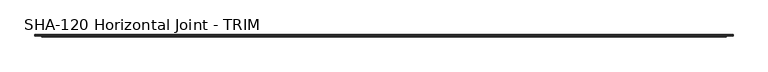
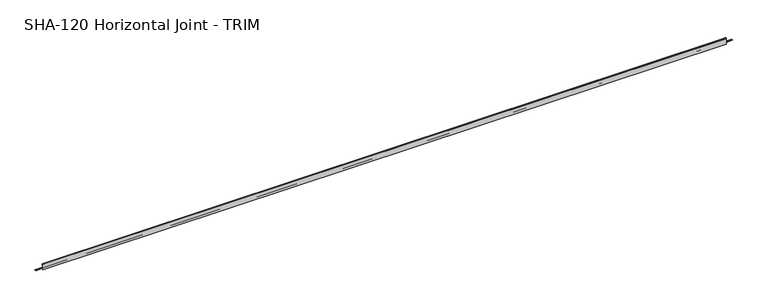
"""IFC4 building model written with IfcOpenShell, lengths in millimetres: proxy geometry, SHA-120 Horizontal Joint - TRIM."""

from ifc_helpers import new_model, si_unit, frame, origin, place, context, project, spatial, polyline, circle_curve, source, transform, mapped, element, save
from ifc_brep_helpers import plane_surface, cylinder_surface, revolved_surface, advanced_brep


def sha_120_horizontal_joint_trim_cefe12b6(model_context):
    return source(origin(), model_context, "Body", "AdvancedBrep", [
        advanced_brep(
        [(5354.8359375, -10.5641724, -14.5120878), (5354.8359375, -10.5641724, -16.0868881), (5354.8359375, -7.5495099, -16.0868881), (5354.8359375, -4.3999099, -16.0868881), (5354.8359375, -1.0391724, -16.0868881), (5354.8359375, -1.0391724, -14.5120878), (5354.8359375, -4.3999099, -14.5120878), (5354.8359375, -7.5495099, -14.5120878), (0.0, -10.5641724, -16.0868881), (0.0, -10.5641724, -14.5120878), (0.0, -7.5495099, -14.5120878), (0.0, -4.3999099, -14.5120878), (0.0, -1.0391724, -14.5120878), (0.0, -1.0391724, -16.0868881), (0.0, -4.3999099, -16.0868881), (0.0, -7.5495099, -16.0868881), (5304.0359375, -12.8855416, 21.9656491), (5304.0359375, -11.756868, 22.4248425), (5304.0359375, -10.5641724, 21.8995653), (50.8, -10.5641724, 21.8995653), (50.8, -11.756868, 22.4248425), (50.8, -12.8855416, 21.9656491), (5304.0359375, -10.5641724, 9.8147622), (50.8, -10.5641724, 9.8147622), (5304.0359375, -17.2443724, 9.8147622), (50.8, -17.2443724, 9.8147622), (5304.0359375, -18.5143724, 8.5447622), (50.8, -18.5143724, 8.5447622), (5304.0359375, -18.5143724, -4.3266878), (50.8, -18.5143724, -4.3266878), (5304.0359375, -10.5664, -4.3266878), (50.8, -10.5664, -4.3266878), (5304.0359375, -10.5664, -14.5120878), (50.8, -10.5664, -14.5120878), (5304.0359375, -10.5641724, -16.0868881), (50.8, -10.5664, -16.0868881), (5304.0359375, -10.5664, -17.6616881), (50.8, -10.5664, -17.6616881), (5304.0359375, -12.8070246, -17.6616881), (50.8, -12.8070246, -17.6616881), (5304.0359375, -14.7028353, -6.590154), (50.8, -14.7028353, -6.590154), (5304.0359375, -16.9116736, -6.590154), (50.8, -16.9116736, -6.590154), (5304.0359375, -16.9116736, -22.4241878), (50.8, -16.9116736, -22.4241878), (5304.0359375, -20.0891724, -22.4241878), (50.8, -20.0891724, -22.4241878), (5304.0359375, -20.0891724, 22.4241878), (50.8, -20.0891724, 22.4241878), (5304.0359375, -16.9116736, 22.4241878), (50.8, -16.9116736, 22.4241878), (5304.0359375, -16.9116736, 11.3895622), (50.8, -16.9116736, 11.3895622), (5304.0359375, -14.6965154, 11.3895622), (50.8, -14.6965154, 11.3895622)],
        [
            (0, 1),
            (1, 2),
            (2, 3, circle_curve(frame((5354.8359375, -5.9747099, -16.0868881), z_axis=(1.0, 0.0, 0.0), x_axis=(0.0, -1.0, 0.0)), 1.5748)),
            (3, 4),
            (4, 5),
            (5, 6),
            (6, 7, circle_curve(frame((5354.8359375, -5.9747099, -14.5120878), z_axis=(1.0, 0.0, 0.0), x_axis=(0.0, -1.0, 0.0)), 1.5748)),
            (7, 0),
            (8, 9),
            (9, 10),
            (10, 11, circle_curve(frame((0.0, -5.9747099, -14.5120878), z_axis=(-1.0, 0.0, 0.0), x_axis=(0.0, -1.0, 0.0)), 1.5748)),
            (11, 12),
            (12, 13),
            (13, 14),
            (14, 15, circle_curve(frame((0.0, -5.9747099, -16.0868881), z_axis=(-1.0, 0.0, 0.0), x_axis=(0.0, -1.0, 0.0)), 1.5748)),
            (15, 8),
            (16, 17, circle_curve(frame((5304.0359375, -11.756868, 20.808135), z_axis=(-1.0, 0.0, 0.0), x_axis=(0.0, -1.0, 0.0)), 1.6167075)),
            (17, 18, circle_curve(frame((5304.0359375, -11.756868, 20.808135), z_axis=(-1.0, 0.0, 0.0), x_axis=(0.0, -1.0, 0.0)), 1.6167075)),
            (18, 19),
            (19, 20, circle_curve(frame((50.8, -11.756868, 20.808135), z_axis=(1.0, 0.0, 0.0), x_axis=(0.0, -1.0, 0.0)), 1.6167075)),
            (20, 21, circle_curve(frame((50.8, -11.756868, 20.808135), z_axis=(1.0, 0.0, 0.0), x_axis=(0.0, -1.0, 0.0)), 1.6167075)),
            (21, 16),
            (18, 22),
            (22, 23),
            (23, 19),
            (22, 24),
            (24, 25),
            (25, 23),
            (24, 26, circle_curve(frame((5304.0359375, -17.2443724, 8.5447622), z_axis=(1.0, 0.0, 0.0), x_axis=(0.0, -1.0, 0.0)), 1.27)),
            (26, 27),
            (27, 25, circle_curve(frame((50.8, -17.2443724, 8.5447622), z_axis=(-1.0, 0.0, 0.0), x_axis=(0.0, -1.0, 0.0)), 1.27)),
            (26, 28),
            (28, 29),
            (29, 27),
            (28, 30),
            (30, 31),
            (31, 29),
            (30, 32),
            (32, 33),
            (33, 31),
            (7, 10),
            (9, 33),
            (32, 0),
            (6, 11),
            (5, 12),
            (4, 13),
            (3, 14),
            (2, 15),
            (1, 34),
            (34, 35),
            (35, 8),
            (34, 36),
            (36, 37),
            (37, 35),
            (36, 38),
            (38, 39),
            (39, 37),
            (38, 40),
            (40, 41),
            (41, 39),
            (40, 42),
            (42, 43),
            (43, 41),
            (42, 44),
            (44, 45),
            (45, 43),
            (44, 46),
            (46, 47),
            (47, 45),
            (46, 48),
            (48, 49),
            (49, 47),
            (48, 50),
            (50, 51),
            (51, 49),
            (50, 52),
            (52, 53),
            (53, 51),
            (52, 54),
            (54, 55),
            (55, 53),
            (21, 55),
            (54, 16),
            (35, 33),
            (32, 34),
        ],
        [
            plane_surface(frame((5354.8359375, -13.3735755, 20.808135), z_axis=(1.0, 0.0, 0.0), x_axis=(0.0, 0.0, 1.0))),
            plane_surface(frame((0.0, -13.3735755, 20.808135), z_axis=(-1.0, 0.0, 0.0), x_axis=(0.0, 0.0, -1.0))),
            cylinder_surface(frame((0.0, -11.756868, 20.808135), z_axis=(1.0, 0.0, 0.0), x_axis=(0.0, -1.0, 0.0)), 1.6167075),
            plane_surface(frame((5354.8359375, -10.5641724, 21.8995653), z_axis=(0.0, 1.0, 0.0), x_axis=(-1.0, 0.0, 0.0))),
            plane_surface(frame((5354.8359375, -10.5641724, 9.8147622), z_axis=(0.0, 0.0, -1.0), x_axis=(-1.0, 0.0, 0.0))),
            revolved_surface(polyline([(50.8, -18.5143724, 8.5447622), (5304.0359375, -18.5143724, 8.5447622)]), (0.0, -17.2443724, 8.5447622), (-1.0, 0.0, 0.0)),
            plane_surface(frame((5354.8359375, -18.5143724, 8.5447622), z_axis=(0.0, 1.0, 0.0), x_axis=(-1.0, 0.0, 0.0))),
            plane_surface(frame((5354.8359375, -18.5143724, -4.3266878), z_axis=(0.0, 0.0, 1.0), x_axis=(-1.0, 0.0, 0.0))),
            plane_surface(frame((5354.8359375, -10.5664, -4.3266878), z_axis=(0.0, 1.0, 0.0), x_axis=(-1.0, 0.0, 0.0))),
            plane_surface(frame((5354.8359375, -10.5664, -14.5120878), z_axis=(0.0, 0.0, 1.0), x_axis=(-1.0, 0.0, 0.0))),
            cylinder_surface(frame((0.0, -5.9747099, -14.5120878), z_axis=(1.0, 0.0, 0.0), x_axis=(0.0, -1.0, 0.0)), 1.5748),
            plane_surface(frame((5354.8359375, -4.3999099, -14.5120878), z_axis=(0.0, 0.0, 1.0), x_axis=(-1.0, 0.0, 0.0))),
            plane_surface(frame((5354.8359375, -1.0391724, -14.5120878), z_axis=(0.0, 1.0, 0.0), x_axis=(-1.0, 0.0, 0.0))),
            plane_surface(frame((5354.8359375, -1.0391724, -16.0868881), z_axis=(0.0, 0.0, -1.0), x_axis=(-1.0, 0.0, 0.0))),
            cylinder_surface(frame((0.0, -5.9747099, -16.0868881), z_axis=(1.0, 0.0, 0.0), x_axis=(0.0, -1.0, 0.0)), 1.5748),
            plane_surface(frame((5354.8359375, -7.5495099, -16.0868881), z_axis=(0.0, 0.0, -1.0), x_axis=(-1.0, 0.0, 0.0))),
            plane_surface(frame((5354.8359375, -10.5664, -16.0868881), z_axis=(0.0, 1.0, 0.0), x_axis=(-1.0, 0.0, 0.0))),
            plane_surface(frame((5354.8359375, -10.5664, -17.6616881), z_axis=(0.0, 1.2686311474070984e-12, -1.0), x_axis=(-1.0, 0.0, 0.0))),
            plane_surface(frame((5354.8359375, -12.8070246, -17.6616881), z_axis=(0.0, -0.9856543593992835, -0.1687764314031673), x_axis=(-1.0, 0.0, 0.0))),
            plane_surface(frame((5354.8359375, -14.7028353, -6.590154), z_axis=(0.0, 0.0, -1.0), x_axis=(-1.0, 0.0, 0.0))),
            plane_surface(frame((5354.8359375, -16.9116736, -6.590154), z_axis=(0.0, 1.0, 0.0), x_axis=(-1.0, 0.0, 0.0))),
            plane_surface(frame((5354.8359375, -16.9116736, -22.4241878), z_axis=(0.0, 0.0, -1.0), x_axis=(-1.0, 0.0, 0.0))),
            plane_surface(frame((5354.8359375, -20.0891724, -22.4241878), z_axis=(0.0, -1.0, 0.0), x_axis=(-1.0, 0.0, 0.0))),
            plane_surface(frame((5354.8359375, -20.0891724, 22.4241878), z_axis=(0.0, 0.0, 1.0), x_axis=(-1.0, 0.0, 0.0))),
            plane_surface(frame((5354.8359375, -16.9116736, 22.4241878), z_axis=(0.0, 1.0, 0.0), x_axis=(-1.0, 0.0, 0.0))),
            plane_surface(frame((5354.8359375, -16.9116736, 11.3895622), z_axis=(0.0, 0.0, 1.0), x_axis=(-1.0, 0.0, 0.0))),
            plane_surface(frame((5354.8359375, -14.6965154, 11.3895622), z_axis=(0.0, -0.9856543593990678, 0.16877643140442766), x_axis=(-1.0, 0.0, 0.0))),
            plane_surface(frame((5304.0359375, -10.5641724, 22.4248425), z_axis=(0.0, -1.0, 0.0), x_axis=(0.0, 0.0, -1.0))),
            plane_surface(frame((5304.0359375, -10.5641724, 22.4248425), z_axis=(1.0, 0.0, 0.0), x_axis=(0.0, -1.0, 0.0))),
            plane_surface(frame((50.8, -10.5641724, -22.4241878), z_axis=(-1.0, 0.0, 0.0), x_axis=(0.0, -1.0, 0.0))),
        ],
        [
            (0, [[1, 2, 3, 4, 5, 6, 7, 8]]),
            (1, [[9, 10, 11, 12, 13, 14, 15, 16]]),
            (2, [[17, 18, 19, 20, 21, 22]]),
            (3, [[23, 24, 25, -19]]),
            (4, [[26, 27, 28, -24]]),
            (5, [[29, 30, 31, -27]]),
            (6, [[32, 33, 34, -30]]),
            (7, [[35, 36, 37, -33]]),
            (8, [[38, 39, 40, -36]]),
            (9, [[41, -10, 42, -39, 43, -8]]),
            (10, [[44, -11, -41, -7]]),
            (11, [[45, -12, -44, -6]]),
            (12, [[46, -13, -45, -5]]),
            (13, [[47, -14, -46, -4]]),
            (14, [[48, -15, -47, -3]]),
            (15, [[49, 50, 51, -16, -48, -2]]),
            (16, [[52, 53, 54, -50]]),
            (17, [[55, 56, 57, -53]]),
            (18, [[58, 59, 60, -56]]),
            (19, [[61, 62, 63, -59]]),
            (20, [[64, 65, 66, -62]]),
            (21, [[67, 68, 69, -65]]),
            (22, [[70, 71, 72, -68]]),
            (23, [[73, 74, 75, -71]]),
            (24, [[76, 77, 78, -74]]),
            (25, [[79, 80, 81, -77]]),
            (26, [[82, -80, 83, -22]]),
            (27, [[-42, -9, -51, 84]]),
            (27, [[-49, -1, -43, 85]]),
            (28, [[-38, -35, -32, -29, -26, -23, -18, -17, -83, -79, -76, -73, -70, -67, -64, -61, -58, -55, -52, -85]]),
            (29, [[-54, -57, -60, -63, -66, -69, -72, -75, -78, -81, -82, -21, -20, -25, -28, -31, -34, -37, -40, -84]]),
        ],
    ),
    ])


if __name__ == "__main__":
    model = new_model("IFC4")
    model_context = context("Model", 3, world=origin())
    ifc_project = project(units=[si_unit("LENGTHUNIT", "METRE", prefix="MILLI")], contexts=[model_context])
    site = spatial("IfcSite", under=ifc_project)
    building = spatial("IfcBuilding", under=site)
    placement = place(None, origin())
    sha_120_horizontal_joint_trim_shape = sha_120_horizontal_joint_trim_cefe12b6(model_context)
    element("IfcBuildingElementProxy", 1, Name="SHA-120 Horizontal Joint - TRIM", ObjectType="SHA-120 Horizontal Joint - TRIM", at=placement, inside=building, context=model_context, shape_type="MappedRepresentation", body=[
        mapped(sha_120_horizontal_joint_trim_shape, transform((0.0, 0.0, 0.0), x_axis=(1.0, 0.0, 0.0), y_axis=(0.0, 1.0, 0.0), z_axis=(0.0, 0.0, 1.0))),
    ])
    save(model, "model.ifc")
